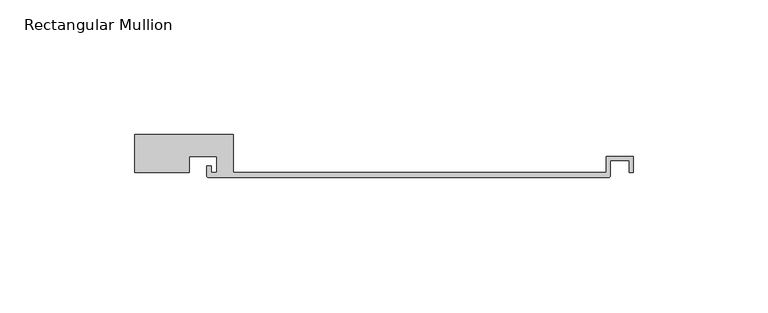
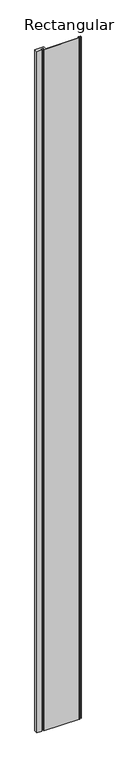
"""IFC4 building model written with IfcOpenShell, lengths in millimetres: member geometry, Rectangular Mullion."""

from ifc_helpers import new_model, si_unit, point, frame, frame_2d, origin, place, context, project, spatial, polyline, circle_curve, trimmed, segment, composite_curve, outline, extrude, source, transform, mapped, element, save


def rectangular_mullion_ce9b8b7e(model_context):
    return source(origin(), model_context, "Body", "SweptSolid", [
        extrude(outline(composite_curve([segment(polyline([(-140.0, -14.2), (-140.0, 0.0), (-103.2, 0.0), (-103.2, -14.2), (35.3, -14.2), (35.3, -8.2), (45.5, -8.2), (45.5, -14.2), (43.9, -14.2), (43.9, -9.8), (36.9, -9.8), (36.9, -15.5)]), True, "CONTINUOUS"), segment(trimmed(circle_curve(frame_2d((36.4, -15.5)), 0.5), [point((36.9, -15.5))], [point((36.4, -16.0))], False, "CARTESIAN"), True, "CONTINUOUS"), segment(polyline([(36.4, -16.0), (-112.6, -16.0)]), True, "CONTINUOUS"), segment(trimmed(circle_curve(frame_2d((-112.6, -15.5)), 0.5), [point((-112.6, -16.0))], [point((-113.1, -15.5))], False, "CARTESIAN"), True, "CONTINUOUS"), segment(polyline([(-113.1, -15.5), (-113.1, -11.8), (-111.5, -11.8), (-111.5, -14.2), (-109.5, -14.2), (-109.5, -8.2), (-119.7, -8.2), (-119.7, -14.2), (-140.0, -14.2)]), True, "CONTINUOUS")], self_intersect=False)), frame((0.0, 0.0, -3000.0), z_axis=(0.0, 0.0, 1.0), x_axis=(1.0, 0.0, 0.0)), (0.0, 0.0, 1.0), 3000.0),
    ])


if __name__ == "__main__":
    model = new_model("IFC4")
    model_context = context("Model", 3, world=origin())
    ifc_project = project(units=[si_unit("LENGTHUNIT", "METRE", prefix="MILLI")], contexts=[model_context])
    site = spatial("IfcSite", under=ifc_project)
    building = spatial("IfcBuilding", under=site)
    placement = place(None, origin())
    rectangular_mullion_shape = rectangular_mullion_ce9b8b7e(model_context)
    element("IfcMember", 1, ObjectType="Rectangular Mullion", at=placement, inside=building, context=model_context, shape_type="MappedRepresentation", body=[
        mapped(rectangular_mullion_shape, transform((0.0, 0.0, 0.0), x_axis=(1.0, 0.0, 0.0), y_axis=(0.0, 1.0, 0.0), z_axis=(0.0, 0.0, 1.0))),
    ])
    save(model, "model.ifc")
